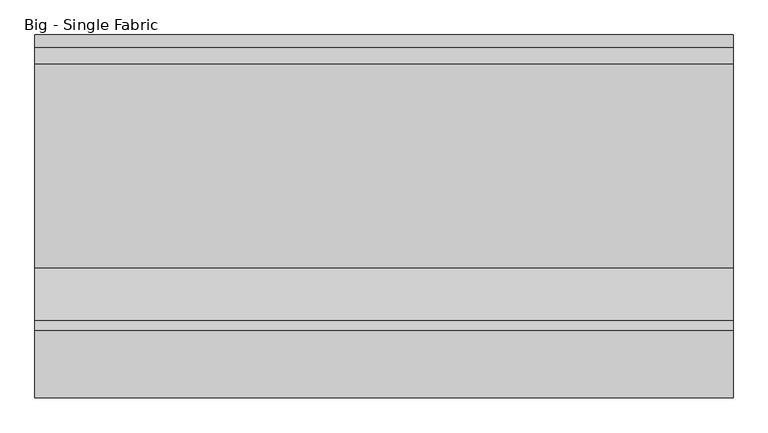
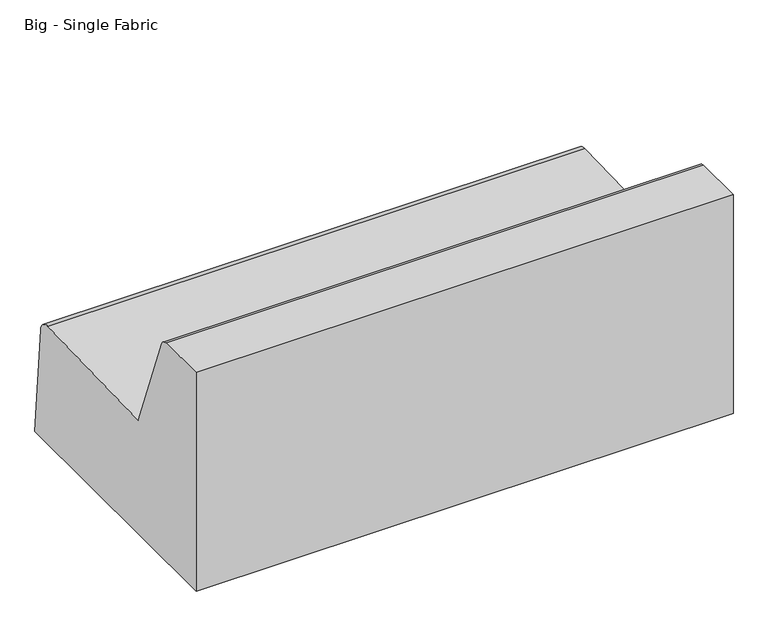
"""IFC4 building model written with IfcOpenShell, lengths in millimetres: furniture geometry, Big - Single Fabric."""

from ifc_helpers import new_model, si_unit, point, frame, frame_2d, origin, origin_with_axes, place, context, project, spatial, polyline, circle_curve, trimmed, segment, composite_curve, outline, extrude, source, transform, mapped, element, save


def big_single_fabric_3d6ff2c3(model_context):
    return source(origin(), model_context, "Body", "SweptSolid", [
        extrude(outline(composite_curve([segment(polyline([(311.3699478, 413.7764151), (800.9755231, 427.4523295)]), True, "CONTINUOUS"), segment(trimmed(circle_curve(frame_2d((802.0393369, 389.3671841)), 38.1), [point((800.9755231, 427.4523295))], [point((839.9943551, 392.6878155))], False, "CARTESIAN"), True, "CONTINUOUS"), segment(polyline([(839.9943551, 392.6878155), (871.0167469, 38.1), (0.0, 38.1), (0.0, 760.831612), (160.6910534, 760.831612)]), True, "CONTINUOUS"), segment(trimmed(circle_curve(frame_2d((160.6910534, 735.431612)), 25.4), [point((160.6910534, 760.831612))], [point((184.4039974, 744.5341548))], False, "CARTESIAN"), True, "CONTINUOUS"), segment(polyline([(184.4039974, 744.5341548), (311.3699478, 413.7764151)]), True, "CONTINUOUS")], self_intersect=False)), frame((-0.254, 0.0, 0.0), z_axis=(1.0, 0.0, 0.0), x_axis=(0.0, 1.0, 0.0)), (0.0, 0.0, 1.0), 1676.4),
        extrude(outline(composite_curve([segment(trimmed(circle_curve(frame_2d((107.696, 114.3)), 25.019), [point((82.677, 114.3))], [point((132.715, 114.3))], False, "CARTESIAN"), True, "CONTINUOUS"), segment(trimmed(circle_curve(frame_2d((107.696, 114.3)), 25.019), [point((132.715, 114.3))], [point((82.677, 114.3))], False, "CARTESIAN"), True, "CONTINUOUS")], self_intersect=False)), origin_with_axes(), (0.0, 0.0, 1.0), 38.1),
        extrude(outline(composite_curve([segment(trimmed(circle_curve(frame_2d((107.696, 756.7168)), 25.019), [point((82.677, 756.7168))], [point((132.715, 756.7168))], False, "CARTESIAN"), True, "CONTINUOUS"), segment(trimmed(circle_curve(frame_2d((107.696, 756.7168)), 25.019), [point((132.715, 756.7168))], [point((82.677, 756.7168))], False, "CARTESIAN"), True, "CONTINUOUS")], self_intersect=False)), origin_with_axes(), (0.0, 0.0, 1.0), 38.1),
        extrude(outline(composite_curve([segment(trimmed(circle_curve(frame_2d((1567.688, 756.7168)), 25.019), [point((1542.669, 756.7168))], [point((1592.707, 756.7168))], False, "CARTESIAN"), True, "CONTINUOUS"), segment(trimmed(circle_curve(frame_2d((1567.688, 756.7168)), 25.019), [point((1592.707, 756.7168))], [point((1542.669, 756.7168))], False, "CARTESIAN"), True, "CONTINUOUS")], self_intersect=False)), origin_with_axes(), (0.0, 0.0, 1.0), 38.1),
        extrude(outline(composite_curve([segment(trimmed(circle_curve(frame_2d((1567.688, 114.3)), 25.019), [point((1542.669, 114.3))], [point((1592.707, 114.3))], False, "CARTESIAN"), True, "CONTINUOUS"), segment(trimmed(circle_curve(frame_2d((1567.688, 114.3)), 25.019), [point((1592.707, 114.3))], [point((1542.669, 114.3))], False, "CARTESIAN"), True, "CONTINUOUS")], self_intersect=False)), origin_with_axes(), (0.0, 0.0, 1.0), 38.1),
    ])


if __name__ == "__main__":
    model = new_model("IFC4")
    model_context = context("Model", 3, world=origin())
    ifc_project = project(units=[si_unit("LENGTHUNIT", "METRE", prefix="MILLI")], contexts=[model_context])
    site = spatial("IfcSite", under=ifc_project)
    building = spatial("IfcBuilding", under=site)
    placement = place(None, origin())
    big_single_fabric_shape = big_single_fabric_3d6ff2c3(model_context)
    element("IfcFurniture", 1, ObjectType="Big - Single Fabric", at=placement, inside=building, context=model_context, shape_type="MappedRepresentation", body=[
        mapped(big_single_fabric_shape, transform((0.0, 0.0, 0.0), x_axis=(1.0, 0.0, 0.0), y_axis=(0.0, 1.0, 0.0), z_axis=(0.0, 0.0, 1.0))),
    ])
    save(model, "model.ifc")
